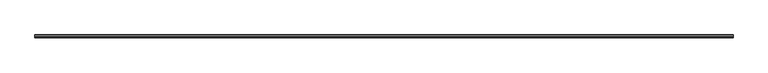
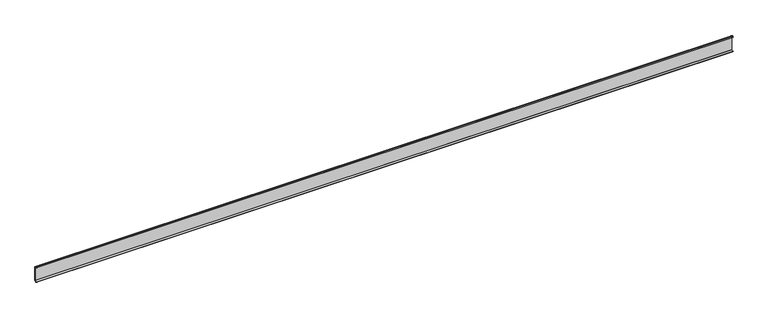
"""IFC4 building model written with IfcOpenShell, lengths in millimetres: plate geometry."""

from ifc_helpers import new_model, si_unit, point, frame, frame_2d, origin, place, context, project, spatial, polyline, circle_curve, trimmed, segment, composite_curve, outline, extrude, source, transform, mapped, element, save


def plate_8bedd1f4(model_context):
    return source(origin(), model_context, "Body", "SweptSolid", [
        extrude(outline(polyline([(1780.0000002, 14.1978466), (1780.0000002, 13.3978466), (-1780.0000002, 13.3978466), (-1780.0000002, 14.1978466), (1780.0000002, 14.1978466)])), frame((0.0, 0.0, 16.6235776), z_axis=(0.0, 0.0, 1.0), x_axis=(1.0, 0.0, 0.0)), (0.0, 0.0, 1.0), 72.020794),
        extrude(outline(composite_curve([segment(trimmed(circle_curve(frame_2d((13.0032186, 88.5309523)), 2.0), [point((14.0032186, 90.2630031))], [point((15.0, 88.6443716))], False, "CARTESIAN"), True, "CONTINUOUS"), segment(polyline([(15.0, 88.6443716), (14.1978466, 88.6443716)]), True, "CONTINUOUS"), segment(trimmed(circle_curve(frame_2d((13.0032186, 88.5309523)), 1.2), [point((14.1978466, 88.6443716))], [point((13.6032186, 89.5701828))], True, "CARTESIAN"), True, "CONTINUOUS"), segment(polyline([(13.6032186, 89.5701828), (5.2655943, 94.3839124), (1.5355959, 90.653914), (0.9699105, 91.2195994), (4.5913925, 94.8410814)]), True, "CONTINUOUS"), segment(trimmed(circle_curve(frame_2d((5.2984993, 94.1339746)), 1.0), [point((4.5913925, 94.8410814))], [point((5.7984993, 95.0))], False, "CARTESIAN"), True, "CONTINUOUS"), segment(polyline([(5.7984993, 95.0), (14.0032186, 90.2630031)]), True, "CONTINUOUS")], self_intersect=False)), frame((-1780.0000002, 0.0, 0.0), z_axis=(1.0, 0.0, 0.0), x_axis=(0.0, 1.0, 0.0)), (0.0, 0.0, 1.0), 3560.0000003),
        extrude(outline(composite_curve([segment(polyline([(14.0032186, 15.0049461), (5.7984993, 10.2679492)]), True, "CONTINUOUS"), segment(trimmed(circle_curve(frame_2d((5.2984993, 11.1339746)), 1.0), [point((5.7984993, 10.2679492))], [point((4.5913925, 10.4268678))], False, "CARTESIAN"), True, "CONTINUOUS"), segment(polyline([(4.5913925, 10.4268678), (0.9699105, 14.0483498), (1.5355959, 14.6140352), (5.2655943, 10.8840368), (13.6032186, 15.6977664)]), True, "CONTINUOUS"), segment(trimmed(circle_curve(frame_2d((13.0032186, 16.7369969)), 1.2), [point((13.6032186, 15.6977664))], [point((14.1978466, 16.6235776))], True, "CARTESIAN"), True, "CONTINUOUS"), segment(polyline([(14.1978466, 16.6235776), (15.0, 16.6235776)]), True, "CONTINUOUS"), segment(trimmed(circle_curve(frame_2d((13.0032186, 16.7369969)), 2.0), [point((15.0, 16.6235776))], [point((14.0032186, 15.0049461))], False, "CARTESIAN"), True, "CONTINUOUS")], self_intersect=False)), frame((-1780.0000002, 0.0, 0.0), z_axis=(1.0, 0.0, 0.0), x_axis=(0.0, 1.0, 0.0)), (0.0, 0.0, 1.0), 3560.0000003),
        extrude(outline(polyline([(1780.0000002, 15.0), (1780.0000002, 14.2), (-1780.0000002, 14.2), (-1780.0000002, 15.0), (1780.0000002, 15.0)])), frame((0.0, 0.0, 16.6235776), z_axis=(0.0, 0.0, 1.0), x_axis=(1.0, 0.0, 0.0)), (0.0, 0.0, 1.0), 72.020794),
    ])


if __name__ == "__main__":
    model = new_model("IFC4")
    model_context = context("Model", 3, world=origin())
    ifc_project = project(units=[si_unit("LENGTHUNIT", "METRE", prefix="MILLI")], contexts=[model_context])
    site = spatial("IfcSite", under=ifc_project)
    building = spatial("IfcBuilding", under=site)
    placement = place(None, origin())
    plate_shape = plate_8bedd1f4(model_context)
    element("IfcPlate", 1, at=placement, inside=building, context=model_context, shape_type="MappedRepresentation", body=[
        mapped(plate_shape, transform((0.0, 0.0, 0.0), x_axis=(1.0, 0.0, 0.0), y_axis=(0.0, 1.0, 0.0), z_axis=(0.0, 0.0, 1.0))),
    ])
    save(model, "model.ifc")
